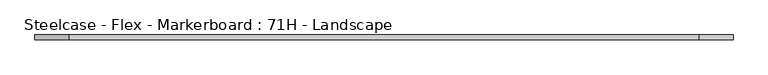
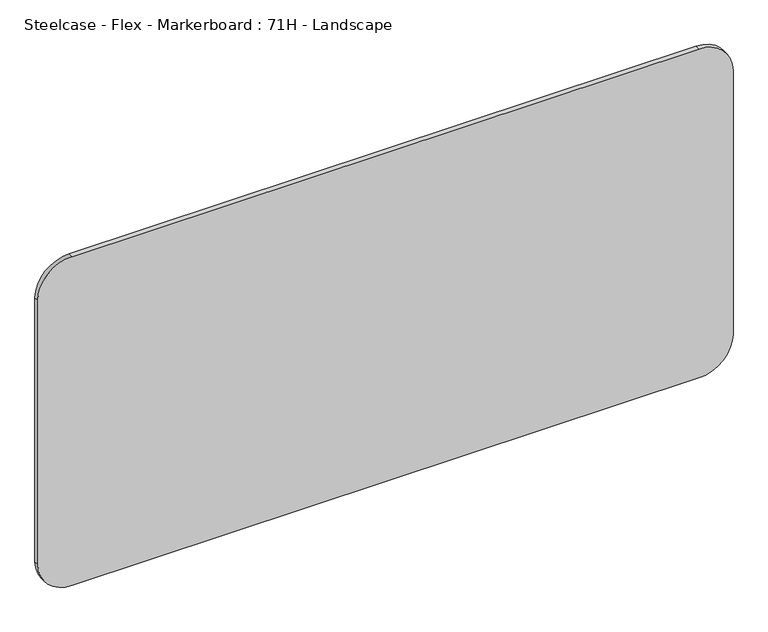
"""IFC4 building model written with IfcOpenShell, lengths in millimetres: furniture geometry, Steelcase - Flex - Markerboard : 71H - Landscape."""

from ifc_helpers import new_model, si_unit, point, frame, frame_2d, origin, place, context, project, spatial, polyline, circle_curve, trimmed, segment, composite_curve, outline, extrude, source, transform, mapped, element, save


def steelcase_flex_markerboard_71h_landscape_60d1b2c5(model_context):
    return source(origin(), model_context, "Body", "SweptSolid", [
        extrude(outline(composite_curve([segment(polyline([(901.7, 1714.5), (901.7, 88.9)]), True, "CONTINUOUS"), segment(trimmed(circle_curve(frame_2d((812.8, 88.9)), 88.9), [point((901.7, 88.9))], [point((812.8, 0.0))], False, "CARTESIAN"), True, "CONTINUOUS"), segment(polyline([(812.8, 0.0), (88.9, 0.0)]), True, "CONTINUOUS"), segment(trimmed(circle_curve(frame_2d((88.9, 88.9)), 88.9), [point((88.9, 0.0))], [point((0.0, 88.9))], False, "CARTESIAN"), True, "CONTINUOUS"), segment(polyline([(0.0, 88.9), (0.0, 1714.5)]), True, "CONTINUOUS"), segment(trimmed(circle_curve(frame_2d((88.9, 1714.5)), 88.9), [point((0.0, 1714.5))], [point((88.9, 1803.4))], False, "CARTESIAN"), True, "CONTINUOUS"), segment(polyline([(88.9, 1803.4), (812.8, 1803.4)]), True, "CONTINUOUS"), segment(trimmed(circle_curve(frame_2d((812.8, 1714.5)), 88.9), [point((812.8, 1803.4))], [point((901.7, 1714.5))], False, "CARTESIAN"), True, "CONTINUOUS")], self_intersect=False)), frame((0.0, 0.0, 0.0), z_axis=(0.0, 1.0, 0.0), x_axis=(0.0, 0.0, 1.0)), (0.0, 0.0, 1.0), 12.6955961),
    ])


if __name__ == "__main__":
    model = new_model("IFC4")
    model_context = context("Model", 3, world=origin())
    ifc_project = project(units=[si_unit("LENGTHUNIT", "METRE", prefix="MILLI")], contexts=[model_context])
    site = spatial("IfcSite", under=ifc_project)
    building = spatial("IfcBuilding", under=site)
    placement = place(None, origin())
    steelcase_flex_markerboard_71h_landscape_shape = steelcase_flex_markerboard_71h_landscape_60d1b2c5(model_context)
    element("IfcFurniture", 1, ObjectType="Steelcase - Flex - Markerboard : 71H - Landscape", at=placement, inside=building, context=model_context, shape_type="MappedRepresentation", body=[
        mapped(steelcase_flex_markerboard_71h_landscape_shape, transform((0.0, 0.0, 0.0), x_axis=(1.0, 0.0, 0.0), y_axis=(0.0, 1.0, 0.0), z_axis=(0.0, 0.0, 1.0))),
    ])
    save(model, "model.ifc")
